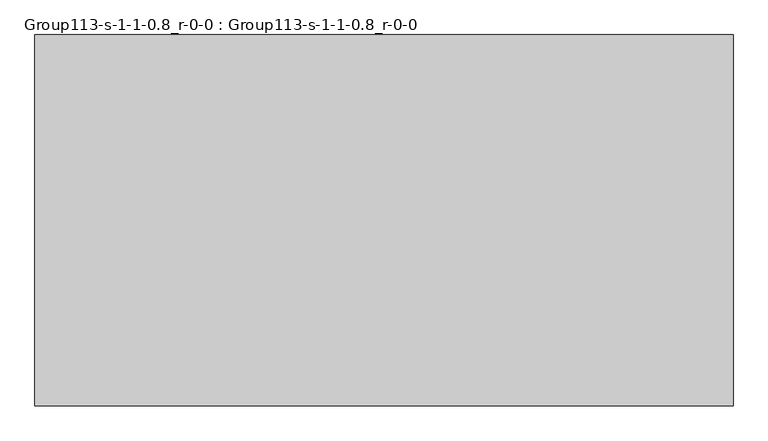
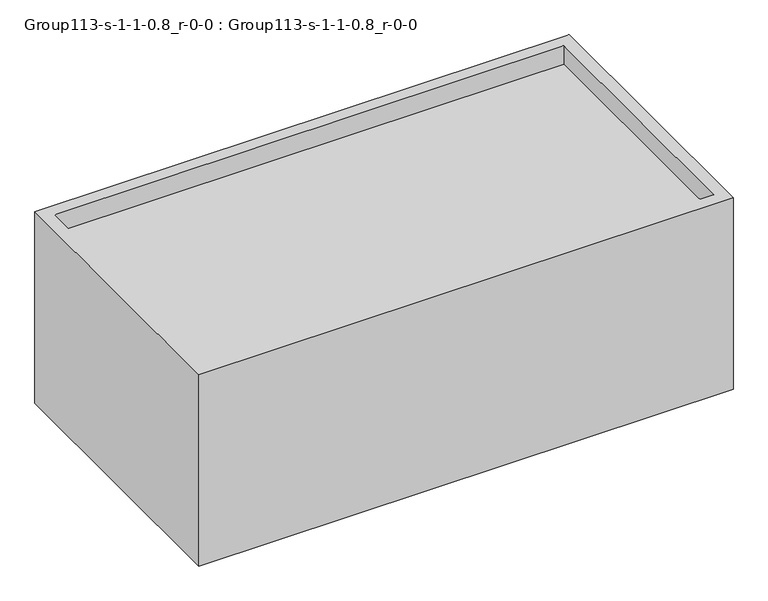
"""IFC4 building model written with IfcOpenShell, lengths in millimetres: geographic element geometry, Group113-s-1-1-0.8_r-0-0 : Group113-s-1-1-0.8_r-0-0."""

from ifc_helpers import new_model, si_unit, origin, place, context, project, spatial, triangles, source, transform, mapped, element, save


def group113_s_1_1_0_8_r_0_0_group113_s_1_1_0_8_r_0_0_7fbcabe3(model_context):
    return source(origin(), model_context, "Body", "Tessellation", [
        triangles([(13409.6128876, 7135.8126938, 0.0), (0.0, 0.0, 0.0), (0.0, 7135.8126938, 0.0), (13409.6128876, 0.0, 0.0), (13409.6128876, 0.0, 5076.1227173), (13409.6128876, 7135.8126938, 5076.1227173), (304.8, 6831.0126938, 4588.442601), (304.8, 304.8, 5076.1227173), (304.8, 304.8, 4588.442601), (304.8, 6831.0126938, 5076.1227173), (0.0, 0.0, 5076.1227173), (0.0, 7135.8126938, 5076.1227173), (13104.8128876, 304.8, 5076.1227173), (13104.8128876, 6831.0126938, 5076.1227173), (13104.8128876, 304.8, 4588.442601), (13104.8128876, 6831.0126938, 4588.442601)], [[1, 2, 3], [2, 1, 4], [1, 5, 4], [5, 1, 6], [7, 8, 9], [8, 7, 10], [11, 8, 12], [8, 11, 5], [8, 5, 13], [13, 5, 14], [12, 10, 6], [10, 12, 8], [6, 10, 14], [6, 14, 5], [8, 15, 9], [15, 8, 13], [15, 7, 9], [7, 15, 16], [14, 7, 16], [7, 14, 10], [14, 15, 13], [15, 14, 16], [5, 2, 4], [2, 5, 11], [12, 2, 11], [2, 12, 3], [12, 1, 3], [1, 12, 6]]),
    ])


if __name__ == "__main__":
    model = new_model("IFC4")
    model_context = context("Model", 3, world=origin())
    ifc_project = project(units=[si_unit("LENGTHUNIT", "METRE", prefix="MILLI")], contexts=[model_context])
    site = spatial("IfcSite", under=ifc_project)
    building = spatial("IfcBuilding", under=site)
    placement = place(None, origin())
    group113_s_1_1_0_8_r_0_0_group113_s_1_1_0_8_r_0_0_shape = group113_s_1_1_0_8_r_0_0_group113_s_1_1_0_8_r_0_0_7fbcabe3(model_context)
    element("IfcGeographicElement", 1, ObjectType="Group113-s-1-1-0.8_r-0-0 : Group113-s-1-1-0.8_r-0-0", at=placement, inside=building, context=model_context, shape_type="MappedRepresentation", body=[
        mapped(group113_s_1_1_0_8_r_0_0_group113_s_1_1_0_8_r_0_0_shape, transform((0.0, 0.0, 0.0), x_axis=(1.0, 0.0, 0.0), y_axis=(0.0, 1.0, 0.0), z_axis=(0.0, 0.0, 1.0))),
    ])
    save(model, "model.ifc")
